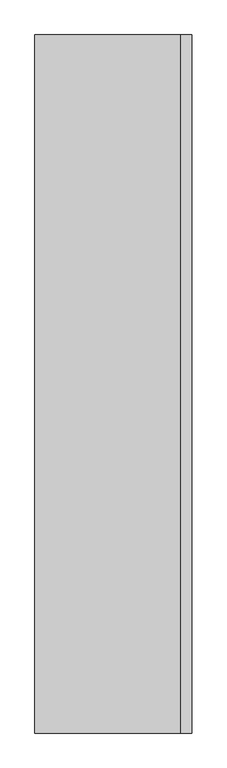
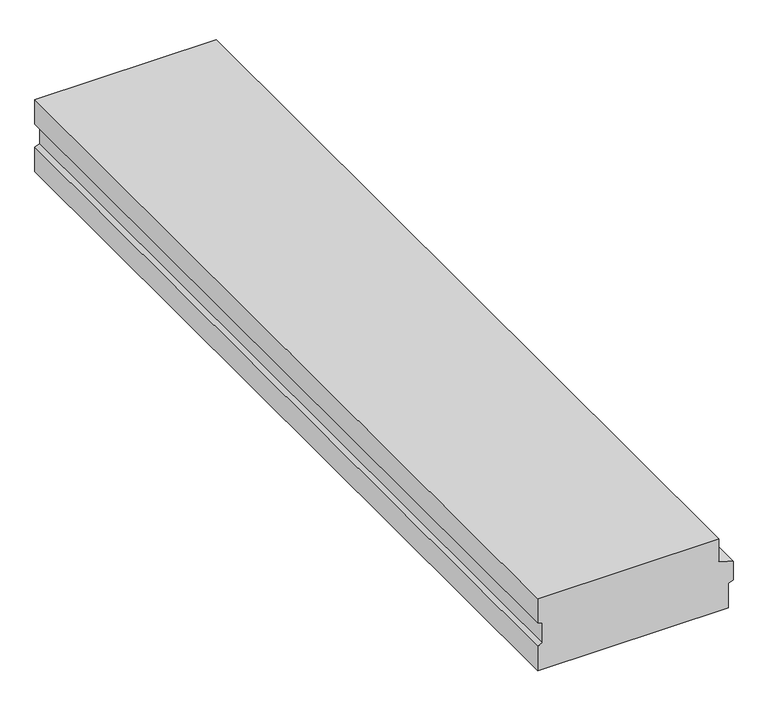
"""IFC4 building model written with IfcOpenShell, lengths in millimetres: beam geometry."""

from ifc_helpers import new_model, si_unit, frame, origin, place, context, project, spatial, polyline, outline, extrude, source, transform, mapped, element, save


def beam_45943855(model_context):
    return source(origin(), model_context, "Body", "SweptSolid", [
        extrude(outline(polyline([(0.0, 270.0), (0.0, -300.0), (-81.2054084, -300.0), (-86.8469471, -284.5), (-152.5378604, -284.5), (-158.9635917, -300.0), (-240.0, -300.0), (-240.0, 300.0), (-158.9635917, 300.0), (-152.5378604, 315.5), (-91.5606457, 315.5), (-75.0, 270.0), (0.0, 270.0)])), frame((0.0, -1370.0, 0.0), z_axis=(0.0, 1.0, 0.0), x_axis=(0.0, 0.0, 1.0)), (0.0, 0.0, 1.0), 2740.0),
    ])


if __name__ == "__main__":
    model = new_model("IFC4")
    model_context = context("Model", 3, world=origin())
    ifc_project = project(units=[si_unit("LENGTHUNIT", "METRE", prefix="MILLI")], contexts=[model_context])
    site = spatial("IfcSite", under=ifc_project)
    building = spatial("IfcBuilding", under=site)
    placement = place(None, origin())
    beam_shape = beam_45943855(model_context)
    element("IfcBeam", 1, at=placement, inside=building, context=model_context, shape_type="MappedRepresentation", body=[
        mapped(beam_shape, transform((0.0, 0.0, 0.0), x_axis=(1.0, 0.0, 0.0), y_axis=(0.0, 1.0, 0.0), z_axis=(0.0, 0.0, 1.0))),
    ])
    save(model, "model.ifc")
